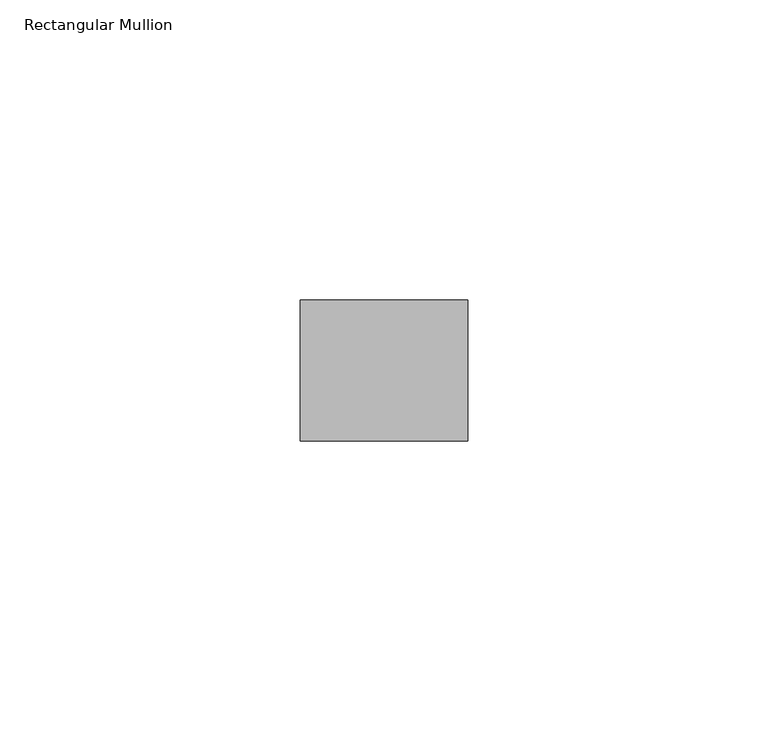
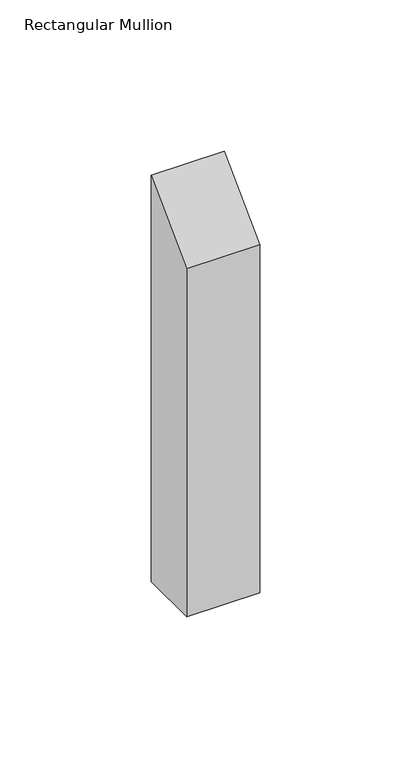
"""IFC4 building model written with IfcOpenShell, lengths in millimetres: member geometry, Rectangular Mullion."""

from ifc_helpers import new_model, si_unit, frame, origin, place, context, project, spatial, polyline, outline, extrude, source, transform, mapped, element, save


def rectangular_mullion_6efb950a(model_context):
    return source(origin(), model_context, "Body", "SweptSolid", [
        extrude(outline(polyline([(-11.7474999, -11.7474999), (11.7474999, 11.7474999), (11.7474999, -152.4), (-11.7474999, -152.4), (-11.7474999, -11.7474999)])), frame((-27.94, 0.0, 0.0), z_axis=(1.0, 0.0, 0.0), x_axis=(0.0, 1.0, 0.0)), (0.0, 0.0, 1.0), 27.94),
    ])


if __name__ == "__main__":
    model = new_model("IFC4")
    model_context = context("Model", 3, world=origin())
    ifc_project = project(units=[si_unit("LENGTHUNIT", "METRE", prefix="MILLI")], contexts=[model_context])
    site = spatial("IfcSite", under=ifc_project)
    building = spatial("IfcBuilding", under=site)
    placement = place(None, origin())
    rectangular_mullion_shape = rectangular_mullion_6efb950a(model_context)
    element("IfcMember", 1, ObjectType="Rectangular Mullion", at=placement, inside=building, context=model_context, shape_type="MappedRepresentation", body=[
        mapped(rectangular_mullion_shape, transform((0.0, 0.0, 0.0), x_axis=(1.0, 0.0, 0.0), y_axis=(0.0, 1.0, 0.0), z_axis=(0.0, 0.0, 1.0))),
    ])
    save(model, "model.ifc")
